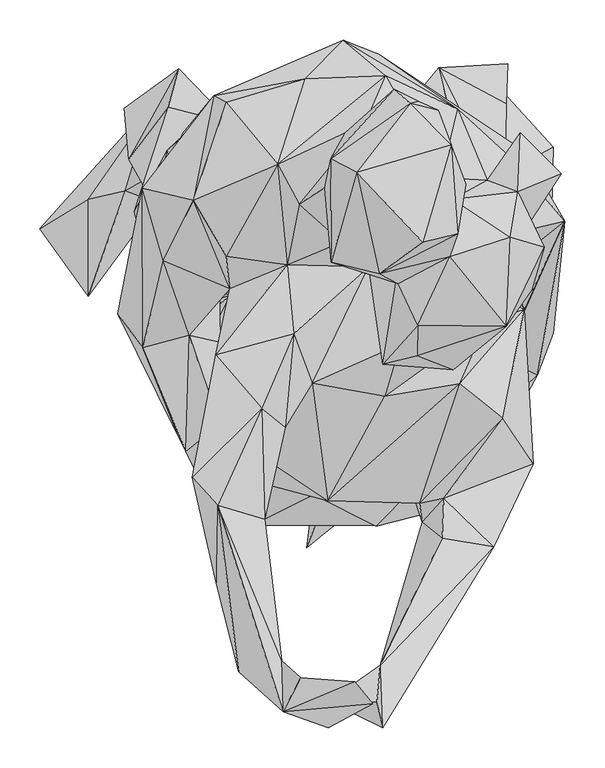
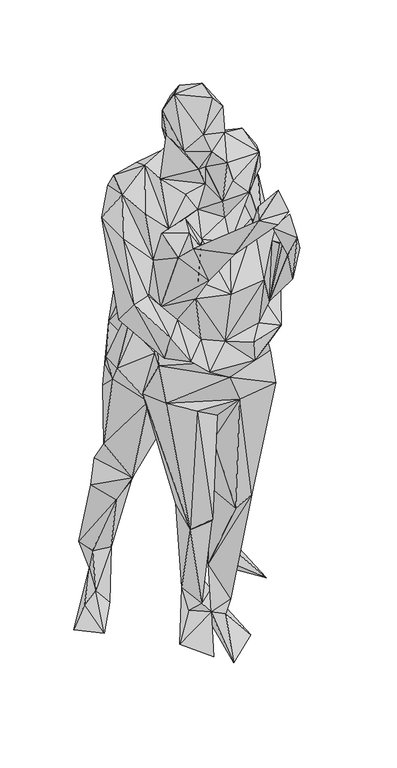
"""IFC4 building model written with IfcOpenShell, lengths in millimetres: geographic element geometry."""

from ifc_helpers import new_model, si_unit, origin, place, context, project, spatial, faceted_brep, source, transform, mapped, element, save


def geographic_element_28b191af(model_context):
    return source(origin(), model_context, "Body", "Brep", [
        faceted_brep([(16.8283058, 43.5700709, 780.9752725), (-145.7617414, -19.0331691, 838.392903), (-172.7641353, 31.3942727, 535.4576045), (-46.441845, -151.9323867, 530.5979782), (-48.9618251, -10.610097, 812.8660221), (-237.477091, 94.332448, 645.5362955), (-227.3664297, 54.6369918, 906.6901095), (-229.1967244, 25.1730901, 966.1758423), (-117.7327395, -10.1364226, 1004.974472), (-117.5196752, -137.7766711, 520.106786), (-197.9976719, -77.3376664, 921.3680511), (-162.7852748, 39.2316947, 1073.3708011), (-156.4531009, 31.1673447, 1218.69646), (-234.6915425, 81.5392946, 977.1961449), (-71.0927016, -18.2156337, 1134.0644219), (-131.5772815, 6.4490996, 1220.9251968), (-118.6245963, -1.9125327, 1346.8361927), (-168.8449213, -60.1793744, 1267.4660526), (-129.9689694, -69.0999023, 1217.6391928), (-151.7262738, -78.8112124, 1136.848078), (-176.6149529, -136.3348497, 1054.9262632), (-83.2546269, -231.831652, 1088.5947808), (-6.8375519, -275.7901813, 1036.8542543), (-172.2191104, -175.1384415, 936.5177039), (-130.5169745, -250.4912584, 496.243739), (36.7444079, -261.8009416, 931.4390306), (-95.7901391, -231.1617703, 913.7942082), (-57.8347884, -72.0400503, 148.6077439), (15.9503257, -48.6189605, 157.4638615), (-114.0047819, -156.2331002, 8.1020034), (9.0622333, 17.5407974, 63.2731162), (-27.9774774, -140.7515091, 121.6430202), (-61.9184926, -121.8392312, 94.296782), (49.7526036, -61.525087, 99.2713484), (26.0768381, -57.9992861, 25.6091092), (-0.2517012, -151.499344, 85.4000364), (-54.2554811, -259.6168784, 3.101672), (-19.010376, -186.8613786, 452.5844995), (4.0628933, -157.3508958, 730.9145241), (-73.5353967, -287.157383, 538.6613541), (-0.5915969, -189.430905, 841.7413131), (65.7782397, -187.2042394, 470.1540412), (129.3288304, -175.4862644, 491.1661385), (174.2584684, -243.3375686, 933.2148317), (41.5574493, -83.2338174, 489.4706248), (24.3099757, -91.7183298, 218.7511149), (205.2593504, -109.819016, 783.6825751), (57.9715401, -171.1875328, 125.5453809), (141.2142647, -84.8242928, 503.108078), (98.1555345, -80.941758, 122.1206546), (101.8369111, -67.6333002, 14.1775159), (29.1933749, -191.0084909, 92.0314703), (92.1216447, -232.7195526, 17.6973676), (-21.8117924, -325.3098984, 7.9157053), (23.4785673, -71.1521647, 818.5402054), (54.6409593, -5.7326429, 855.9465899), (154.7347884, -19.2135216, 921.1837535), (179.7631957, 80.8941786, 471.6285707), (195.5480402, -108.4326716, 1013.3559579), (225.5748035, 111.2687723, 695.2848945), (218.1615057, 83.6272304, 894.1705116), (160.3564451, -26.1531413, 996.536481), (202.5609885, 175.315825, 837.977697), (173.5509315, 202.9187207, 956.7648054), (237.6098901, 99.0701827, 1002.8359766), (162.4552736, -9.4437496, 1105.2803857), (208.9159463, 28.9882492, 1209.8562568), (86.2651382, -47.7677354, 1087.1598586), (190.219698, 90.4172126, 1129.9341777), (208.4432666, 145.4525572, 1142.1882965), (189.7737807, 55.6001954, 1264.072045), (85.2048163, 238.4036303, 1155.2648402), (67.9930142, 291.2807131, 1382.2051116), (249.2049902, 170.6930527, 1362.2623514), (233.8135661, 161.1601094, 1523.2876351), (300.5163334, 82.409351, 1465.8800182), (286.1356998, -57.8694709, 1179.3756339), (142.6719558, -251.7309158, 1097.2506864), (176.5822597, -126.3976081, 1108.5098845), (179.1210748, -269.7404292, 1162.3740053), (266.2384179, -110.1480113, 1247.7025832), (147.4959087, -49.7526036, 1205.6348175), (130.3445532, -11.5762733, 1211.6826623), (113.3438186, -44.2964355, 1130.4762224), (169.9220815, -217.7661183, 1041.4285531), (52.277542, -261.5205017, 1044.9721684), (68.0564336, -297.7000736, 1087.7108439), (-89.8602966, -297.9339324, 1097.8749855), (64.804136, -298.7841927, 1156.5501547), (-13.5799719, -259.342399, 1164.1665553), (160.5338434, -210.8185861, 1213.4306281), (109.0866984, -253.6850838, 1186.2509104), (119.0179944, -269.9138489, 1353.4844946), (122.2346186, -293.802675, 1286.0623439), (160.4803036, -371.3702514, 1403.0686443), (223.9417108, -88.8812382, 1267.4958549), (261.006203, -220.9748002, 1380.3521224), (249.5310127, -27.3710169, 1356.556518), (211.8927512, -324.6935268, 1472.9791698), (72.7812862, -550.901585, 1695.3075915), (60.7382722, -512.5557717, 1612.6920978), (223.2193174, -164.0784422, 1458.7579785), (149.380697, -263.8274399, 1483.27015), (69.8579839, -472.6046563, 1650.1560007), (147.0797044, -313.6593363, 1502.6808791), (5.6276027, -517.506593, 1736.706593), (65.3151564, -518.7629993, 1766.7346974), (169.2234704, -121.0831314, 1447.688204), (4.0777577, -266.9073012, 1337.7104832), (202.5847708, -45.1654973, 1415.9092728), (75.3805405, -136.3417787, 1426.7245355), (228.1443448, 23.9512508, 1491.7685801), (178.0637183, 3.8627216, 1381.7285129), (176.0104873, -18.7666023, 1496.2733799), (137.641905, 22.2933923, 1455.0082504), (217.6026079, -34.5752198, 1544.379096), (249.5924502, 70.3831828, 1537.1579934), (258.9697806, -3.4911152, 1563.3785531), (241.8987274, 119.1557333, 1596.8794625), (275.1331891, 49.7387306, 1607.9642574), (296.2968909, 141.6810137, 1547.7610635), (227.6230873, -49.1005586, 1655.7725463), (232.2538019, 62.1662281, 1675.4311116), (160.6101374, 109.7714515, 1661.2794194), (245.0440049, 193.1073344, 1559.7129867), (203.7184213, 133.3243383, 1560.5652139), (145.9728163, 136.8838234, 1586.2159533), (166.8630222, 222.5008877, 1533.6282064), (51.2766832, 204.6756719, 1590.3115076), (76.8540865, 264.1386059, 1531.2886049), (121.5548351, 188.1050146, 1650.6197249), (23.3864111, 308.8611326, 1467.6220236), (-58.5770115, 153.7785213, 1584.1289563), (-24.1335851, 260.6772152, 1518.9037135), (-138.4465528, 239.2072946, 1486.4640052), (-43.8574435, 268.7544193, 1431.3523592), (-156.2846433, 162.2551064, 1185.1330849), (-22.2240274, 267.6822212, 942.0977118), (107.7548699, 260.9229652, 962.1584893), (-177.1847584, 192.5404942, 1358.2341503), (-108.7557287, 245.1807528, 905.633796), (-178.7752338, 163.7930701, 1040.5375829), (-150.8621555, 76.6945397, 1259.0123259), (-258.0997614, -32.961953, 1191.6456075), (-181.1861969, 95.0756657, 1043.6026921), (-184.363199, -182.7796675, 1114.5794254), (-173.2021251, -204.8946743, 1196.9867797), (-140.5860168, -271.420088, 1140.1053526), (-227.1613004, -75.9879937, 1263.6360966), (-131.0005619, -171.375809, 1231.4767685), (-82.2428678, -231.3837529, 1178.9396856), (-103.8059281, -238.0181522, 1340.4068781), (-201.2212252, 33.0937538, 1432.7287497), (-164.1379127, 108.5733907, 1538.8237048), (-227.6508333, 123.6655473, 1467.958909), (-122.8618905, 230.9794546, 1522.1242717), (-122.5388407, 38.4874898, 1496.2049538), (-46.4210281, 27.8655026, 1419.4470469), (-31.7123677, 103.6533253, 1555.9949683), (-165.3399298, -237.5593454, 1514.2571739), (-136.1178292, -84.5914175, 1502.1576696), (-135.3131665, -370.2960565, 1498.3533436), (-78.4187903, -151.6509633, 1523.1468489), (-133.5958524, -272.5537386, 1559.0609119), (-38.2883097, -58.415483, 1508.198481), (-74.5659834, -290.2788484, 1500.2579504), (-49.0866856, -175.0294396, 1477.5572833), (-53.6341549, -467.1831669, 1687.3590738), (-51.7642343, -531.1935478, 1791.4176958), (-107.0929156, -480.955416, 1654.6509061), (-79.4662302, -211.0643361, 1380.1766463), (4.4969292, -550.8797697, 1767.2287007), (-29.3221992, -488.2824659, 1808.2748428), (-22.3587954, -528.6428267, 1753.8370869), (60.7174627, -520.8648975, 1779.2300958), (37.7185117, -493.6930774, 1850.4050741), (-15.3805276, -120.4281136, 1459.4913541), (94.861618, -71.1630649, 1473.2862529), (55.1929206, 25.3693011, 1459.5458327), (160.7875059, -103.1727108, 1562.5877187), (72.7535403, -96.5412769, 1556.0632752), (115.7567859, -85.7478593, 1611.613969), (96.8395534, 51.4213623, 1586.5884823), (104.5580642, 64.8170255, 1512.5070623), (116.9013292, -47.4664824, 1655.1027093), (156.8564157, 37.9959787, 1701.7972259), (92.5507236, 4.3978341, 1671.8311103), (57.494893, 24.8549969, 1606.7344944), (33.186901, 61.0553764, 1500.8346849), (0.549977, 124.2640823, 1695.82794), (8.746121, 30.9314985, 1687.3026878), (68.2942635, 16.5161563, 1736.1733699), (7.8869675, 160.5427394, 1762.7833864), (40.4852437, 143.4112173, 1821.1818708), (25.8736942, 192.9101324, 1671.6297658), (87.4701281, 247.4807321, 1736.8134046), (107.2405638, 229.6822788, 1778.3967037), (117.5573379, 232.0229084, 1721.3418271), (142.5817889, 220.7538309, 1740.1728415), (158.7956975, 178.1221904, 1799.3701474), (176.3989308, 128.6510213, 1695.3184395), (166.7203287, 66.528394, 1780.9028405), (122.8628888, 55.8340617, 1832.5124753), (-194.7116828, 162.639601, 889.3058786), (-196.1703574, 171.443192, 801.6425272), (-44.2181522, 187.4440587, 778.3096336), (-176.1759647, 189.9511642, 645.2330271), (-195.1219266, 225.276527, 498.8786815), (-119.1408694, 205.7815765, 574.3553567), (164.5313183, 196.7223113, 806.3654204), (11.7288789, 164.3212268, 793.7288186), (155.1192831, 225.4142584, 568.6346222), (56.1640479, 168.6873713, 614.1499205), (142.6244062, 274.6783461, 475.2544404), (94.2680452, 180.5569507, 418.4383698), (119.1686154, 226.3754876, 192.1045011), (227.6032837, 229.1273595, 415.396119), (148.334248, 264.2089692, 161.3682191), (228.9579035, 279.1653539, 237.693128), (210.0317601, 137.7429796, 435.4588932), (213.3028928, 157.5332265, 261.5175215), (221.7477533, 206.780446, 157.7869187), (158.1912319, 178.9833285, 160.4634653), (-64.5127959, 93.6229292, 614.7335692), (-244.5970743, 159.8837654, 455.4156605), (-191.3295663, 98.2407617, 419.4095083), (-110.5612279, 199.3552571, 470.3274609), (-106.9601239, 150.5163293, 428.3379263), (-181.938348, 273.2801106, 259.6436409), (-249.9620735, 223.6167016, 208.9298193), (-236.4901126, 162.2778902, 205.6111221), (-168.8915023, 166.8402234, 193.9367628), (-155.1163028, 230.3917976, 190.9589446), (-198.7587189, 247.4906414, 77.7558451), (-248.9522963, 120.8591744, 86.098655), (-208.6652492, 105.9315192, 38.7867573), (-295.0929069, 110.3481786, 55.6556874), (-168.33855, 256.6073803, 0.4052984), (-355.550702, 73.2609025, 7.528244), (-295.4852843, -11.1372814, 24.2118702), (220.9867212, 140.3818709, 87.0628495), (174.3674853, 148.8594543, 54.074134), (210.6976781, 258.0511836, 26.1789054), (157.5015168, 262.1874181, 80.4829439), (286.2724626, 175.0195303, 25.9787325), (281.6218997, -0.6351987, 21.59279), (133.46505, 251.6347735, 2.8559165)], [[[0, 1, 2]], [[3, 1, 4]], [[1, 5, 2]], [[6, 5, 1]], [[7, 1, 8]], [[1, 3, 9]], [[4, 1, 0]], [[10, 8, 1]], [[10, 1, 9]], [[1, 7, 6]], [[7, 11, 12]], [[13, 7, 12]], [[7, 8, 11]], [[6, 7, 13]], [[14, 15, 11]], [[11, 8, 14]], [[12, 11, 15]], [[16, 17, 15]], [[14, 16, 15]], [[18, 15, 17]], [[15, 18, 12]], [[18, 16, 14]], [[8, 19, 14]], [[19, 18, 14]], [[20, 19, 8]], [[10, 20, 8]], [[20, 21, 19]], [[22, 21, 20]], [[22, 20, 23]], [[23, 20, 10]], [[24, 23, 10]], [[22, 23, 25]], [[26, 25, 23]], [[26, 23, 24]], [[24, 10, 9]], [[27, 9, 28]], [[24, 9, 27]], [[3, 28, 9]], [[29, 27, 30]], [[27, 31, 24]], [[30, 27, 28]], [[27, 32, 31]], [[29, 32, 27]], [[30, 28, 33]], [[33, 34, 30]], [[29, 30, 34]], [[29, 35, 32]], [[36, 35, 29]], [[36, 29, 34]], [[35, 31, 32]], [[37, 31, 28]], [[24, 31, 37]], [[33, 28, 31]], [[33, 31, 35]], [[38, 39, 37]], [[24, 37, 39]], [[3, 37, 28]], [[38, 37, 3]], [[24, 39, 26]], [[39, 40, 26]], [[38, 40, 39]], [[25, 26, 40]], [[40, 38, 25]], [[38, 41, 25]], [[42, 43, 25]], [[25, 43, 22]], [[41, 42, 25]], [[38, 44, 41]], [[41, 44, 45]], [[41, 45, 42]], [[43, 42, 46]], [[42, 45, 47]], [[42, 47, 48]], [[48, 46, 42]], [[47, 49, 48]], [[45, 35, 47]], [[47, 50, 49]], [[51, 50, 47]], [[35, 51, 47]], [[48, 49, 45]], [[44, 46, 48]], [[45, 44, 48]], [[45, 33, 35]], [[45, 49, 33]], [[49, 50, 33]], [[50, 34, 33]], [[50, 51, 52]], [[34, 50, 52]], [[51, 35, 53]], [[52, 51, 53]], [[35, 34, 53]], [[34, 35, 36]], [[34, 52, 53]], [[38, 54, 44]], [[54, 46, 44]], [[54, 55, 46]], [[54, 38, 4]], [[54, 4, 55]], [[4, 38, 3]], [[55, 4, 0]], [[46, 55, 56]], [[55, 57, 56]], [[57, 55, 0]], [[43, 46, 58]], [[58, 46, 56]], [[59, 56, 57]], [[56, 59, 60]], [[61, 56, 60]], [[58, 56, 61]], [[60, 62, 63]], [[59, 62, 60]], [[60, 63, 64]], [[60, 64, 61]], [[65, 61, 66]], [[67, 58, 61]], [[61, 64, 66]], [[67, 61, 65]], [[64, 63, 68]], [[64, 68, 66]], [[69, 68, 63]], [[69, 70, 68]], [[68, 70, 66]], [[69, 71, 72]], [[73, 70, 69]], [[73, 69, 72]], [[69, 63, 71]], [[70, 73, 66]], [[73, 72, 74]], [[75, 76, 73]], [[66, 73, 76]], [[75, 73, 74]], [[76, 77, 78]], [[77, 76, 79]], [[78, 66, 76]], [[76, 80, 79]], [[80, 76, 75]], [[78, 81, 66]], [[65, 66, 82]], [[66, 81, 82]], [[81, 78, 83]], [[81, 83, 82]], [[83, 65, 82]], [[83, 67, 65]], [[67, 83, 78]], [[78, 58, 67]], [[78, 84, 58]], [[43, 58, 84]], [[78, 77, 84]], [[77, 85, 84]], [[43, 84, 22]], [[84, 85, 22]], [[79, 86, 77]], [[77, 86, 85]], [[22, 85, 86]], [[86, 87, 22]], [[87, 21, 22]], [[88, 89, 86]], [[87, 86, 89]], [[88, 86, 79]], [[79, 90, 91]], [[80, 90, 79]], [[88, 79, 91]], [[88, 91, 89]], [[89, 91, 92]], [[93, 92, 91]], [[93, 91, 90]], [[94, 90, 95]], [[93, 90, 94]], [[80, 95, 90]], [[80, 75, 95]], [[94, 95, 96]], [[96, 95, 97]], [[75, 97, 95]], [[94, 98, 99]], [[94, 99, 100]], [[100, 93, 94]], [[96, 98, 94]], [[97, 101, 96]], [[101, 102, 96]], [[96, 102, 98]], [[103, 98, 104]], [[103, 99, 98]], [[102, 104, 98]], [[105, 99, 106]], [[106, 99, 103]], [[99, 105, 100]], [[93, 100, 103]], [[105, 103, 100]], [[93, 103, 104]], [[105, 106, 103]], [[104, 102, 93]], [[93, 102, 92]], [[101, 92, 102]], [[92, 101, 107]], [[97, 107, 101]], [[108, 92, 107]], [[108, 89, 92]], [[109, 107, 97]], [[108, 107, 110]], [[110, 107, 109]], [[75, 111, 97]], [[97, 111, 112]], [[109, 97, 112]], [[110, 109, 113]], [[114, 109, 112]], [[114, 113, 109]], [[111, 114, 112]], [[113, 114, 111]], [[113, 115, 110]], [[113, 111, 115]], [[116, 117, 111]], [[117, 115, 111]], [[75, 116, 111]], [[75, 74, 116]], [[118, 119, 116]], [[116, 119, 117]], [[118, 116, 120]], [[120, 116, 74]], [[121, 117, 119]], [[117, 121, 115]], [[119, 122, 121]], [[119, 118, 122]], [[123, 122, 118]], [[124, 118, 120]], [[125, 123, 118]], [[118, 124, 125]], [[74, 124, 120]], [[125, 124, 74]], [[126, 123, 125]], [[127, 126, 125]], [[125, 74, 127]], [[128, 126, 129]], [[127, 129, 126]], [[130, 123, 126]], [[126, 128, 130]], [[127, 72, 131]], [[127, 131, 129]], [[74, 72, 127]], [[132, 128, 129]], [[133, 132, 129]], [[131, 133, 129]], [[134, 131, 72]], [[134, 133, 131]], [[135, 72, 71]], [[135, 134, 72]], [[135, 71, 63]], [[136, 135, 137]], [[135, 138, 137]], [[63, 138, 135]], [[139, 135, 136]], [[134, 135, 139]], [[63, 62, 138]], [[138, 62, 137]], [[140, 137, 62]], [[140, 136, 137]], [[140, 141, 136]], [[142, 136, 141]], [[142, 139, 136]], [[134, 139, 143]], [[139, 12, 143]], [[139, 142, 12]], [[142, 141, 12]], [[143, 12, 19]], [[12, 141, 144]], [[19, 12, 18]], [[13, 12, 144]], [[19, 21, 145]], [[145, 143, 19]], [[146, 21, 147]], [[146, 145, 21]], [[87, 147, 21]], [[148, 143, 145]], [[145, 146, 148]], [[149, 17, 146]], [[149, 146, 147]], [[148, 146, 17]], [[150, 149, 147]], [[147, 87, 150]], [[89, 150, 87]], [[150, 151, 149]], [[89, 151, 150]], [[151, 18, 149]], [[18, 17, 149]], [[17, 16, 152]], [[148, 17, 152]], [[152, 16, 153]], [[154, 152, 153]], [[154, 148, 152]], [[153, 132, 155]], [[154, 153, 134]], [[156, 132, 153]], [[156, 153, 16]], [[153, 155, 134]], [[143, 154, 134]], [[154, 143, 148]], [[155, 133, 134]], [[133, 155, 132]], [[156, 157, 132]], [[157, 158, 132]], [[158, 128, 132]], [[156, 16, 157]], [[159, 16, 18]], [[160, 16, 159]], [[160, 157, 16]], [[161, 18, 151]], [[159, 18, 161]], [[162, 160, 159]], [[163, 159, 161]], [[162, 159, 163]], [[160, 164, 157]], [[160, 162, 164]], [[162, 163, 165]], [[166, 164, 162]], [[162, 165, 166]], [[167, 165, 163]], [[168, 167, 163]], [[163, 161, 169]], [[165, 167, 161]], [[161, 151, 165]], [[166, 165, 170]], [[165, 151, 170]], [[167, 169, 161]], [[163, 169, 168]], [[169, 171, 168]], [[169, 167, 171]], [[172, 173, 167]], [[167, 173, 171]], [[168, 172, 167]], [[168, 171, 174]], [[175, 168, 174]], [[168, 175, 172]], [[171, 173, 174]], [[172, 175, 173]], [[173, 175, 174]], [[170, 108, 176]], [[166, 170, 176]], [[108, 170, 151]], [[108, 110, 176]], [[89, 108, 151]], [[176, 110, 177]], [[115, 177, 110]], [[176, 177, 178]], [[115, 179, 177]], [[177, 180, 178]], [[179, 180, 177]], [[121, 179, 115]], [[121, 181, 179]], [[179, 181, 180]], [[180, 182, 183]], [[182, 180, 184]], [[180, 183, 178]], [[184, 180, 181]], [[181, 121, 184]], [[185, 184, 121]], [[185, 121, 122]], [[182, 184, 186]], [[184, 185, 186]], [[182, 187, 183]], [[187, 182, 186]], [[183, 187, 158]], [[188, 178, 183]], [[188, 183, 158]], [[187, 189, 158]], [[190, 189, 187]], [[187, 186, 190]], [[186, 185, 191]], [[186, 191, 190]], [[190, 192, 189]], [[193, 192, 190]], [[190, 191, 193]], [[189, 128, 158]], [[189, 194, 128]], [[192, 194, 189]], [[157, 188, 158]], [[157, 178, 188]], [[178, 157, 164]], [[176, 164, 166]], [[176, 178, 164]], [[192, 195, 194]], [[195, 192, 196]], [[193, 196, 192]], [[194, 195, 130]], [[130, 128, 194]], [[130, 195, 197]], [[197, 195, 196]], [[198, 197, 196]], [[196, 199, 198]], [[193, 199, 196]], [[200, 130, 197]], [[198, 200, 197]], [[200, 123, 130]], [[201, 200, 198]], [[200, 201, 185]], [[200, 185, 123]], [[199, 201, 198]], [[199, 193, 202]], [[199, 202, 201]], [[191, 202, 193]], [[201, 202, 191]], [[191, 185, 201]], [[123, 185, 122]], [[203, 6, 13]], [[13, 141, 203]], [[13, 144, 141]], [[6, 204, 5]], [[204, 6, 203]], [[140, 203, 141]], [[204, 203, 140]], [[205, 206, 204]], [[140, 205, 204]], [[5, 204, 206]], [[2, 5, 207]], [[5, 208, 207]], [[206, 208, 5]], [[208, 206, 205]], [[205, 0, 208]], [[205, 140, 209]], [[210, 205, 209]], [[205, 210, 0]], [[140, 62, 209]], [[209, 211, 210]], [[62, 211, 209]], [[0, 210, 212]], [[210, 211, 212]], [[62, 59, 211]], [[213, 212, 211]], [[213, 211, 59]], [[212, 214, 0]], [[212, 213, 214]], [[214, 213, 215]], [[216, 213, 59]], [[217, 213, 218]], [[213, 217, 215]], [[213, 216, 218]], [[59, 57, 216]], [[57, 219, 216]], [[216, 220, 218]], [[219, 220, 216]], [[217, 218, 221]], [[221, 218, 220]], [[221, 220, 222]], [[220, 214, 222]], [[219, 214, 220]], [[214, 219, 57]], [[0, 214, 57]], [[0, 2, 223]], [[208, 0, 223]], [[2, 207, 224]], [[2, 224, 225]], [[2, 225, 223]], [[208, 223, 226]], [[227, 226, 223]], [[223, 225, 227]], [[207, 208, 226]], [[224, 207, 228]], [[207, 226, 228]], [[224, 229, 225]], [[228, 229, 224]], [[225, 229, 230]], [[231, 227, 225]], [[230, 231, 225]], [[227, 231, 232]], [[227, 232, 226]], [[232, 228, 226]], [[228, 232, 229]], [[229, 233, 230]], [[229, 232, 233]], [[230, 233, 234]], [[234, 231, 230]], [[233, 231, 235]], [[232, 231, 233]], [[231, 234, 235]], [[236, 234, 233]], [[235, 237, 233]], [[233, 237, 238]], [[233, 238, 236]], [[239, 235, 234]], [[239, 234, 236]], [[235, 239, 237]], [[238, 237, 239]], [[236, 238, 239]], [[214, 215, 222]], [[215, 217, 222]], [[240, 221, 222]], [[222, 217, 241]], [[240, 222, 241]], [[242, 217, 221]], [[241, 217, 243]], [[242, 243, 217]], [[242, 221, 240]], [[244, 240, 245]], [[240, 244, 242]], [[241, 245, 240]], [[241, 246, 245]], [[246, 241, 243]], [[243, 242, 246]], [[246, 242, 244]], [[246, 244, 245]]]),
    ])


if __name__ == "__main__":
    model = new_model("IFC4")
    model_context = context("Model", 3, world=origin())
    ifc_project = project(units=[si_unit("LENGTHUNIT", "METRE", prefix="MILLI")], contexts=[model_context])
    site = spatial("IfcSite", under=ifc_project)
    building = spatial("IfcBuilding", under=site)
    placement = place(None, origin())
    geographic_element_shape = geographic_element_28b191af(model_context)
    element("IfcGeographicElement", 1, at=placement, inside=building, context=model_context, shape_type="MappedRepresentation", body=[
        mapped(geographic_element_shape, transform((0.0, 0.0, 0.0), x_axis=(1.0, 0.0, 0.0), y_axis=(0.0, 1.0, 0.0), z_axis=(0.0, 0.0, 1.0))),
    ])
    save(model, "model.ifc")
